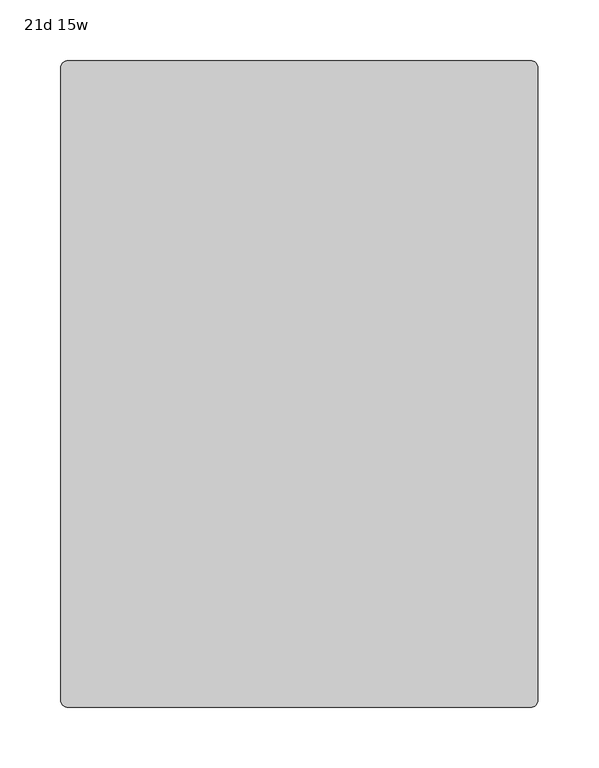
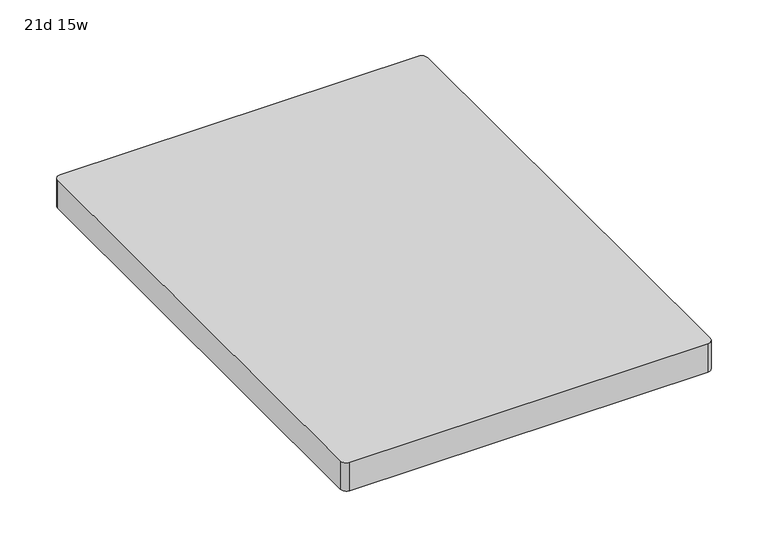
"""IFC4 building model written with IfcOpenShell, lengths in millimetres: furniture geometry, 21d 15w."""

from ifc_helpers import new_model, si_unit, point, frame, frame_2d, origin, place, context, project, spatial, polyline, circle_curve, trimmed, segment, composite_curve, outline, extrude, source, transform, mapped, element, save


def furniture_21d_15w_4514f0c1(model_context):
    return source(origin(), model_context, "Body", "SweptSolid", [
        extrude(outline(composite_curve([segment(trimmed(circle_curve(frame_2d((190.5, 260.35)), 6.35), [point((190.5, 266.7))], [point((196.85, 260.35))], False, "CARTESIAN"), True, "CONTINUOUS"), segment(polyline([(196.85, 260.35), (196.85, -260.35)]), True, "CONTINUOUS"), segment(trimmed(circle_curve(frame_2d((190.5, -260.35)), 6.35), [point((196.85, -260.35))], [point((190.5, -266.7))], False, "CARTESIAN"), True, "CONTINUOUS"), segment(polyline([(190.5, -266.7), (-190.5, -266.7)]), True, "CONTINUOUS"), segment(trimmed(circle_curve(frame_2d((-190.5, -260.35)), 6.35), [point((-190.5, -266.7))], [point((-196.85, -260.35))], False, "CARTESIAN"), True, "CONTINUOUS"), segment(polyline([(-196.85, -260.35), (-196.85, 260.35)]), True, "CONTINUOUS"), segment(trimmed(circle_curve(frame_2d((-190.5, 260.35)), 6.35), [point((-196.85, 260.35))], [point((-190.5, 266.7))], False, "CARTESIAN"), True, "CONTINUOUS"), segment(polyline([(-190.5, 266.7), (190.5, 266.7)]), True, "CONTINUOUS")], self_intersect=False)), frame((0.0, 0.0, 787.4), z_axis=(0.0, 0.0, 1.0), x_axis=(1.0, 0.0, 0.0)), (0.0, 0.0, 1.0), 31.75),
    ])


if __name__ == "__main__":
    model = new_model("IFC4")
    model_context = context("Model", 3, world=origin())
    ifc_project = project(units=[si_unit("LENGTHUNIT", "METRE", prefix="MILLI")], contexts=[model_context])
    site = spatial("IfcSite", under=ifc_project)
    building = spatial("IfcBuilding", under=site)
    placement = place(None, origin())
    furniture_21d_15w_shape = furniture_21d_15w_4514f0c1(model_context)
    element("IfcFurniture", 1, ObjectType="21d 15w", at=placement, inside=building, context=model_context, shape_type="MappedRepresentation", body=[
        mapped(furniture_21d_15w_shape, transform((0.0, 0.0, 0.0), x_axis=(1.0, 0.0, 0.0), y_axis=(0.0, 1.0, 0.0), z_axis=(0.0, 0.0, 1.0))),
    ])
    save(model, "model.ifc")
